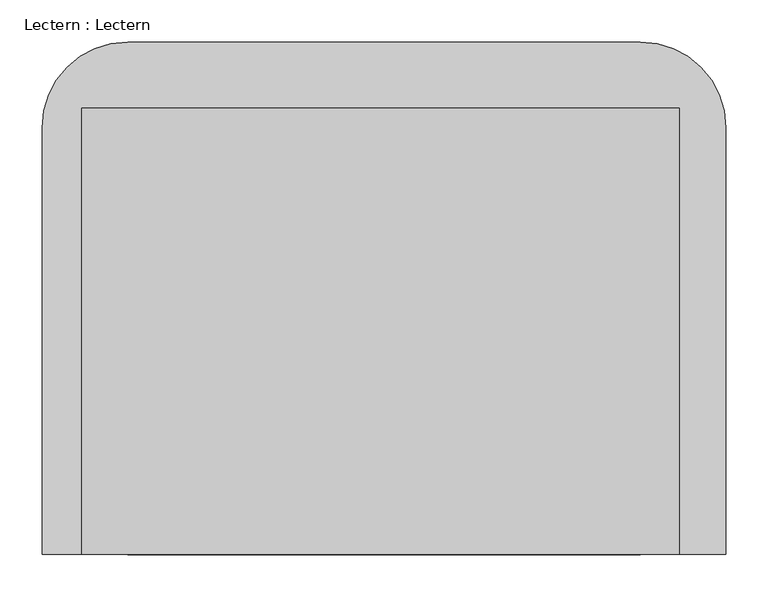
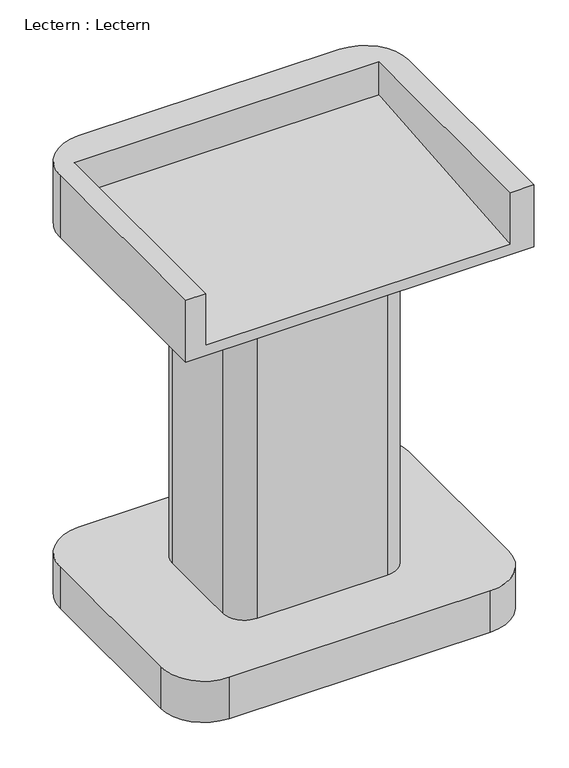
"""IFC4 building model written with IfcOpenShell, lengths in millimetres: furniture geometry, Lectern : Lectern."""

from ifc_helpers import new_model, si_unit, point, frame, frame_2d, origin, origin_with_axes, place, context, project, spatial, polyline, circle_curve, trimmed, segment, composite_curve, outline, extrude, source, transform, mapped, element, save
from ifc_brep_helpers import plane_surface, cylinder_surface, advanced_brep


def lectern_lectern_5dfe0e26(model_context):
    return source(origin(), model_context, "Body", "SolidModel", [
        advanced_brep(
        [(304.8, 304.8, 1066.8), (-304.8, 304.8, 1066.8), (-406.4, 203.2, 1066.8), (-406.4, -304.8, 1066.8), (-359.884556, -304.8, 1066.8), (-359.884556, 226.570252, 1066.8), (351.315444, 226.570252, 1066.8), (351.315444, -304.8, 1066.8), (406.4, -304.8, 1066.8), (406.4, 203.2, 1066.8), (304.8, 304.8, 914.4), (406.4, 203.2, 914.4), (406.4, -304.8, 914.4), (-406.4, -304.8, 914.4), (-406.4, 203.2, 914.4), (-304.8, 304.8, 914.4), (351.315444, -304.8, 939.8), (-359.884556, -304.8, 939.8), (351.315444, 226.570252, 986.2888732), (-359.884556, 226.570252, 986.2888732)],
        [
            (0, 1),
            (1, 2, circle_curve(frame((-304.8, 203.2, 1066.8), z_axis=(0.0, 0.0, 1.0), x_axis=(1.0, 0.0, 0.0)), 101.6)),
            (2, 3),
            (3, 4),
            (4, 5),
            (5, 6),
            (6, 7),
            (7, 8),
            (8, 9),
            (9, 0, circle_curve(frame((304.8, 203.2, 1066.8), z_axis=(0.0, 0.0, 1.0), x_axis=(1.0, 0.0, 0.0)), 101.6)),
            (10, 11, circle_curve(frame((304.8, 203.2, 914.4), z_axis=(0.0, 0.0, -1.0), x_axis=(1.0, 0.0, 0.0)), 101.6)),
            (11, 12),
            (12, 13),
            (13, 14),
            (14, 15, circle_curve(frame((-304.8, 203.2, 914.4), z_axis=(0.0, 0.0, -1.0), x_axis=(1.0, 0.0, 0.0)), 101.6)),
            (15, 10),
            (0, 10),
            (15, 1),
            (14, 2),
            (13, 3),
            (12, 8),
            (7, 16),
            (16, 17),
            (17, 4),
            (11, 9),
            (18, 16),
            (6, 18),
            (17, 19),
            (19, 5),
            (19, 18),
        ],
        [
            plane_surface(frame((-304.8, 304.8, 1066.8), z_axis=(0.0, 0.0, 1.0), x_axis=(-1.0, 0.0, 0.0))),
            plane_surface(frame((-304.8, 304.8, 914.4), z_axis=(0.0, 0.0, -1.0), x_axis=(1.0, 0.0, 0.0))),
            plane_surface(frame((304.8, 304.8, 1066.8), z_axis=(0.0, 1.0, 0.0), x_axis=(0.0, 0.0, -1.0))),
            cylinder_surface(frame((-304.8, 203.2, 914.4), z_axis=(0.0, 0.0, 1.0), x_axis=(1.0, 0.0, 0.0)), 101.6),
            plane_surface(frame((-406.4, 203.2, 1066.8), z_axis=(-1.0, 0.0, 0.0), x_axis=(0.0, 0.0, -1.0))),
            plane_surface(frame((-406.4, -304.8, 1066.8), z_axis=(0.0, -1.0, 0.0), x_axis=(0.0, 0.0, -1.0))),
            plane_surface(frame((406.4, -304.8, 1066.8), z_axis=(1.0, 0.0, 0.0), x_axis=(0.0, 0.0, -1.0))),
            cylinder_surface(frame((304.8, 203.2, 914.4), z_axis=(0.0, 0.0, 1.0), x_axis=(1.0, 0.0, 0.0)), 101.6),
            plane_surface(frame((351.315444, 226.570252, 986.2888732), z_axis=(-1.0, 0.0, 0.0), x_axis=(0.0, 0.0, 1.0))),
            plane_surface(frame((-359.884556, 226.570252, 986.2888732), z_axis=(1.0, 0.0, 0.0), x_axis=(0.0, 0.0, -1.0))),
            plane_surface(frame((351.315444, 226.570252, 986.2888732), z_axis=(0.0, -1.0, 0.0), x_axis=(-1.0, 0.0, 0.0))),
            plane_surface(frame((351.315444, -304.8, 939.8), z_axis=(0.0, -0.08715574274765814, 0.9961946980917455), x_axis=(-1.0, 0.0, 0.0))),
        ],
        [
            (0, [[1, 2, 3, 4, 5, 6, 7, 8, 9, 10]]),
            (1, [[11, 12, 13, 14, 15, 16]]),
            (2, [[-1, 17, -16, 18]]),
            (3, [[-2, -18, -15, 19]]),
            (4, [[-3, -19, -14, 20]]),
            (5, [[-13, 21, -8, 22, 23, 24, -4, -20]]),
            (6, [[-9, -21, -12, 25]]),
            (7, [[-10, -25, -11, -17]]),
            (8, [[26, -22, -7, 27]]),
            (9, [[28, 29, -5, -24]]),
            (10, [[30, -27, -6, -29]]),
            (11, [[-26, -30, -28, -23]]),
        ],
    ),
        extrude(outline(composite_curve([segment(trimmed(circle_curve(frame_2d((152.4, 101.6)), 50.8), [point((152.4, 152.4))], [point((203.2, 101.6))], False, "CARTESIAN"), True, "CONTINUOUS"), segment(polyline([(203.2, 101.6), (203.2, -101.6)]), True, "CONTINUOUS"), segment(trimmed(circle_curve(frame_2d((152.4, -101.6)), 50.8), [point((203.2, -101.6))], [point((152.4, -152.4))], False, "CARTESIAN"), True, "CONTINUOUS"), segment(polyline([(152.4, -152.4), (-152.4, -152.4)]), True, "CONTINUOUS"), segment(trimmed(circle_curve(frame_2d((-152.4, -101.6)), 50.8), [point((-152.4, -152.4))], [point((-203.2, -101.6))], False, "CARTESIAN"), True, "CONTINUOUS"), segment(polyline([(-203.2, -101.6), (-203.2, 101.6)]), True, "CONTINUOUS"), segment(trimmed(circle_curve(frame_2d((-152.4, 101.6)), 50.8), [point((-203.2, 101.6))], [point((-152.4, 152.4))], False, "CARTESIAN"), True, "CONTINUOUS"), segment(polyline([(-152.4, 152.4), (152.4, 152.4)]), True, "CONTINUOUS")], self_intersect=False)), frame((0.0, 0.0, 101.6), z_axis=(0.0, 0.0, 1.0), x_axis=(1.0, 0.0, 0.0)), (0.0, 0.0, 1.0), 812.8),
        extrude(outline(composite_curve([segment(polyline([(304.8, -304.8), (-304.8, -304.8)]), True, "CONTINUOUS"), segment(trimmed(circle_curve(frame_2d((-304.8, -203.2)), 101.6), [point((-304.8, -304.8))], [point((-406.4, -203.2))], False, "CARTESIAN"), True, "CONTINUOUS"), segment(polyline([(-406.4, -203.2), (-406.4, 203.2)]), True, "CONTINUOUS"), segment(trimmed(circle_curve(frame_2d((-304.8, 203.2)), 101.6), [point((-406.4, 203.2))], [point((-304.8, 304.8))], False, "CARTESIAN"), True, "CONTINUOUS"), segment(polyline([(-304.8, 304.8), (304.8, 304.8)]), True, "CONTINUOUS"), segment(trimmed(circle_curve(frame_2d((304.8, 203.2)), 101.6), [point((304.8, 304.8))], [point((406.4, 203.2))], False, "CARTESIAN"), True, "CONTINUOUS"), segment(polyline([(406.4, 203.2), (406.4, -203.2)]), True, "CONTINUOUS"), segment(trimmed(circle_curve(frame_2d((304.8, -203.2)), 101.6), [point((406.4, -203.2))], [point((304.8, -304.8))], False, "CARTESIAN"), True, "CONTINUOUS")], self_intersect=False)), origin_with_axes(), (0.0, 0.0, 1.0), 101.6),
    ])


if __name__ == "__main__":
    model = new_model("IFC4")
    model_context = context("Model", 3, world=origin())
    ifc_project = project(units=[si_unit("LENGTHUNIT", "METRE", prefix="MILLI")], contexts=[model_context])
    site = spatial("IfcSite", under=ifc_project)
    building = spatial("IfcBuilding", under=site)
    placement = place(None, origin())
    lectern_lectern_shape = lectern_lectern_5dfe0e26(model_context)
    element("IfcFurniture", 1, ObjectType="Lectern : Lectern", at=placement, inside=building, context=model_context, shape_type="MappedRepresentation", body=[
        mapped(lectern_lectern_shape, transform((0.0, 0.0, 0.0), x_axis=(1.0, 0.0, 0.0), y_axis=(0.0, 1.0, 0.0), z_axis=(0.0, 0.0, 1.0))),
    ])
    save(model, "model.ifc")
